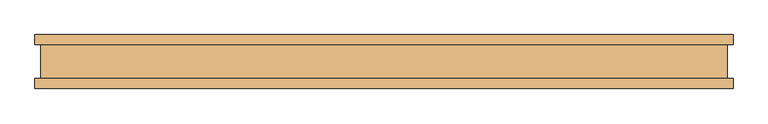
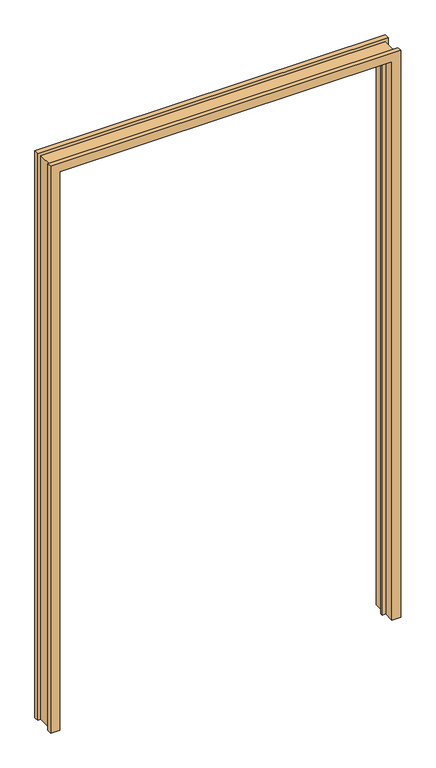
"""IFC4 building model written with IfcOpenShell, lengths in millimetres: door geometry."""

import ifcopenshell
import ifcopenshell.guid

model = None  # the IFC model being written
_history = None  # IfcOwnerHistory: only IFC2X3 demands one
_inside = {}  # id of a spatial element -> (the spatial element, [elements in it])
_under = {}  # id of a project, library or spatial element -> (it, [spatial elements below it])
_declared = {}  # id of a project -> (the project, [libraries it declares])
_typed = {}  # id of a type object -> (the type object, [elements of that type])
_made_of = {}  # id of a material, layer set ... -> (it, [elements and type objects made of it])


def new_model(schema):
    """Start an empty IFC model of exactly this schema.

    Asked for "IFC4X3", IfcOpenShell would pick the latest addendum, in which some entities
    have other attributes; the version numbers below select the first issue.
    IFC2X3 requires an IfcOwnerHistory on every rooted entity: one is made here for all.
    """
    global model, _history
    if schema == "IFC4X3":
        model = ifcopenshell.file(schema_version=(4, 3, 0, 0))
    else:
        model = ifcopenshell.file(schema=schema)
    _inside.clear()
    _under.clear()
    _declared.clear()
    _typed.clear()
    _made_of.clear()
    _history = None
    if model.schema == "IFC2X3":
        org = make("IfcOrganization", Name="unknown")
        user = make(
            "IfcPersonAndOrganization",
            ThePerson=make("IfcPerson", FamilyName="unknown"),
            TheOrganization=org,
        )
        app = make(
            "IfcApplication",
            ApplicationDeveloper=org,
            Version="unknown",
            ApplicationFullName="unknown",
            ApplicationIdentifier="unknown",
        )
        _history = make(
            "IfcOwnerHistory",
            OwningUser=user,
            OwningApplication=app,
            ChangeAction="ADDED",
            CreationDate=0,
        )
    return model


def make(cls, **values):
    """One entity of the class cls with the attributes given. An attribute that is None is left unset."""
    return model.create_entity(
        cls, **{name: value for name, value in values.items() if value is not None}
    )


def rooted(cls, **values):
    """An entity with a GlobalId (a new one), such as an element, a storey or a relation."""
    return make(cls, GlobalId=ifcopenshell.guid.new(), OwnerHistory=_history, **values)


def si_unit(unit_type, name, prefix=None):
    """IfcSIUnit, for example si_unit("LENGTHUNIT", "METRE", prefix="MILLI")."""
    return make("IfcSIUnit", UnitType=unit_type, Prefix=prefix, Name=name)


def assignment(units):
    """IfcUnitAssignment: the units of a project."""
    return None if units is None else make("IfcUnitAssignment", Units=units)


def point(xyz):
    """IfcCartesianPoint."""
    return None if xyz is None else make("IfcCartesianPoint", Coordinates=xyz)


def direction(xyz):
    """IfcDirection."""
    return None if xyz is None else make("IfcDirection", DirectionRatios=xyz)


def frame(location, z_axis=None, x_axis=None):
    """IfcAxis2Placement3D, a coordinate frame: its origin and axes. An axis left out is left unset."""
    return make(
        "IfcAxis2Placement3D",
        Location=point(location),
        Axis=direction(z_axis),
        RefDirection=direction(x_axis),
    )


def origin():
    """The frame at (0, 0, 0) with its axes left unset."""
    return frame((0.0, 0.0, 0.0))


def place(relative_to, where):
    """IfcLocalPlacement: puts the frame where relative to a parent placement (None: the world)."""
    return make(
        "IfcLocalPlacement", PlacementRelTo=relative_to, RelativePlacement=where
    )


def context(
    kind, dimensions, precision=None, world=None, true_north=None, identifier=None
):
    """IfcGeometricRepresentationContext, for example the 3D "Model" context."""
    return make(
        "IfcGeometricRepresentationContext",
        ContextIdentifier=identifier,
        ContextType=kind,
        CoordinateSpaceDimension=dimensions,
        Precision=precision,
        WorldCoordinateSystem=world,
        TrueNorth=true_north,
    )


def project(units=None, contexts=None):
    """IfcProject with its units and contexts."""
    return rooted(
        "IfcProject",
        Name="project",
        RepresentationContexts=contexts,
        UnitsInContext=assignment(units),
    )


def spatial(cls, under=None, at=None, **own):
    """A site, building, storey or space (cls), placed at a placement, below another one or the project."""
    s = rooted(cls, ObjectPlacement=at, **own)
    if under is not None:
        _under.setdefault(under.id(), (under, []))[1].append(s)
    return s


def faces_of(points, faces, orient=None, outer=None):
    """IfcFace entities. A face is a list of loops; a loop is a list of indices into points, from 0.

    orient and outer hold one flag for each loop. By default every Orientation is true, the
    first loop of a face is its IfcFaceOuterBound and the others are IfcFaceBound.
    """
    made = []
    for i, loops in enumerate(faces):
        bounds = []
        for j, loop in enumerate(loops):
            is_outer = j == 0 if outer is None else outer[i][j]
            bounds.append(
                make(
                    "IfcFaceOuterBound" if is_outer else "IfcFaceBound",
                    Bound=make("IfcPolyLoop", Polygon=[points[k] for k in loop]),
                    Orientation=True if orient is None else orient[i][j],
                )
            )
        made.append(make("IfcFace", Bounds=bounds))
    return made


def faceted_brep(points, faces, orient=None, outer=None, voids=None):
    """IfcFacetedBrep: a solid bounded by flat faces; with voids (closed shells), ...WithVoids."""
    shared = [point(p) for p in points]
    hull = make("IfcClosedShell", CfsFaces=faces_of(shared, faces, orient, outer))
    if voids is None:
        return make("IfcFacetedBrep", Outer=hull)
    return make(
        "IfcFacetedBrepWithVoids",
        Outer=hull,
        Voids=[
            make(cls, CfsFaces=faces_of(shared, fs, o, b)) for cls, fs, o, b in voids
        ],
    )


def shape(context_of_items, identifier, shape_type, items):
    """IfcShapeRepresentation: the items that make up one representation, for example the "Body"."""
    return make(
        "IfcShapeRepresentation",
        ContextOfItems=context_of_items,
        RepresentationIdentifier=identifier,
        RepresentationType=shape_type,
        Items=items,
    )


def source(mapping_origin, context_of_items, identifier, shape_type, items):
    """IfcRepresentationMap: a shape defined once, which mapped items show again and again."""
    return make(
        "IfcRepresentationMap",
        MappingOrigin=mapping_origin,
        MappedRepresentation=shape(context_of_items, identifier, shape_type, items),
    )


def transform(
    local_origin,
    x_axis=None,
    y_axis=None,
    z_axis=None,
    scale=None,
    scale2=None,
    scale3=None,
    uniform=True,
):
    """IfcCartesianTransformationOperator3D, or its non-uniform kind. x_axis, y_axis, z_axis: its Axis1, 2, 3."""
    if uniform:
        return make(
            "IfcCartesianTransformationOperator3D",
            Axis1=direction(x_axis),
            Axis2=direction(y_axis),
            LocalOrigin=point(local_origin),
            Scale=scale,
            Axis3=direction(z_axis),
        )
    return make(
        "IfcCartesianTransformationOperator3DnonUniform",
        Axis1=direction(x_axis),
        Axis2=direction(y_axis),
        LocalOrigin=point(local_origin),
        Scale=scale,
        Axis3=direction(z_axis),
        Scale2=scale2,
        Scale3=scale3,
    )


def mapped(mapping_source, mapping_target):
    """IfcMappedItem: shows the shape of a source again, moved by a transform."""
    return make(
        "IfcMappedItem", MappingSource=mapping_source, MappingTarget=mapping_target
    )


def made_of(thing, what):
    """Note that an element or type object is made of a material, layer set ...; save() writes the relation."""
    if what is not None:
        _made_of.setdefault(what.id(), (what, []))[1].append(thing)
    return thing


def element(
    cls,
    number,
    at=None,
    inside=None,
    cuts=None,
    type_object=None,
    material=None,
    context=None,
    identifier="Body",
    shape_type=None,
    held_by="IfcProductDefinitionShape",
    body=None,
    shapes=None,
    **own,
):
    """One element of the class cls, such as IfcWall. Its Tag is "e" and its number.

    at: its placement. inside: the storey or other place that contains it. cuts: it is an
    opening in that element (IfcRelVoidsElement). A single representation is given by context,
    identifier, shape_type and body (its items); several are given by shapes. held_by: the class
    of the entity that holds the representations. save() writes the other relations.
    """
    e = rooted(cls, Tag="e%d" % number, ObjectPlacement=at, **own)
    if body is not None:
        shapes = [shape(context, identifier, shape_type, body)]
    if shapes is not None:
        e.Representation = make(held_by, Representations=shapes)
    if inside is not None:
        _inside.setdefault(inside.id(), (inside, []))[1].append(e)
    if cuts is not None:
        rooted(
            "IfcRelVoidsElement", RelatingBuildingElement=cuts, RelatedOpeningElement=e
        )
    if type_object is not None:
        _typed.setdefault(type_object.id(), (type_object, []))[1].append(e)
    return made_of(e, material)


def aggregate(whole, parts):
    """IfcRelAggregates: a whole, such as a stair, and the parts it consists of."""
    return rooted("IfcRelAggregates", RelatingObject=whole, RelatedObjects=parts)


def save(model, path):
    """Write the relations noted so far, then the file.

    IfcRelAggregates (storeys below a building ...), IfcRelContainedInSpatialStructure (elements
    in a storey), IfcRelDefinesByType, IfcRelAssociatesMaterial and IfcRelDeclares: one each for
    every whole, place, type object, material and project.
    """
    for whole, parts in _under.values():
        aggregate(whole, parts)
    for where, things in _inside.values():
        rooted(
            "IfcRelContainedInSpatialStructure",
            RelatedElements=things,
            RelatingStructure=where,
        )
    for kind, things in _typed.values():
        rooted("IfcRelDefinesByType", RelatedObjects=things, RelatingType=kind)
    for what, things in _made_of.values():
        rooted("IfcRelAssociatesMaterial", RelatedObjects=things, RelatingMaterial=what)
    for by, libraries in _declared.values():
        rooted("IfcRelDeclares", RelatingContext=by, RelatedDefinitions=libraries)
    model.write(path)


def door_91859d28(model_context):
    return source(origin(), model_context, "Body", "Brep", [
        faceted_brep([(-645.9982, 31.447233, 0.0), (-645.9982, 49.989233, 0.0), (-612.9782, 49.989233, 0.0), (-612.9782, -2.6789063, 0.0), (-600.0242, -2.6789063, 0.0), (-600.0242, -10.907167, 0.0), (-612.9782, -10.907167, 0.0), (-612.9782, -50.010667, 0.0), (-645.9982, -50.010667, 0.0), (-645.9982, -31.468567, 0.0), (-635.0, -31.468567, 0.0), (-635.0, 31.447233, 0.0), (-645.9982, 31.447233, 2209.7925997), (-645.9982, 49.989233, 2209.7925997), (645.9982, 49.989233, 2209.7925997), (645.9982, 49.989233, 0.0), (612.9782, 49.989233, 0.0), (612.9782, 49.989233, 2176.7725997), (-612.9782, 49.989233, 2176.7725997), (-612.9782, -2.6789063, 2176.7725997), (612.9782, -2.6789063, 2176.7725997), (612.9782, -2.6789063, 0.0), (600.0242, -2.6789063, 0.0), (600.0242, -2.6789063, 2163.8185997), (-600.0242, -2.6789063, 2163.8185997), (-600.0242, -10.907167, 2163.8185997), (600.0242, -10.907167, 2163.8185997), (600.0242, -10.907167, 0.0), (612.9782, -10.907167, 0.0), (612.9782, -10.907167, 2176.7725997), (-612.9782, -10.907167, 2176.7725997), (-612.9782, -50.010667, 2176.7725997), (612.9782, -50.010667, 2176.7725997), (612.9782, -50.010667, 0.0), (645.9982, -50.010667, 0.0), (645.9982, -50.010667, 2209.7925997), (-645.9982, -50.010667, 2209.7925997), (-645.9982, -31.468567, 2209.7925997), (645.9982, -31.468567, 2209.7925997), (645.9982, -31.468567, 0.0), (635.0, -31.468567, 0.0), (635.0, -31.468567, 2198.7943997), (-635.0, -31.468567, 2198.7943997), (-635.0, 31.447233, 2198.7943997), (635.0, 31.447233, 2198.7943997), (635.0, 31.447233, 0.0), (645.9982, 31.447233, 0.0), (645.9982, 31.447233, 2209.7925997)], [[[0, 1, 2, 3, 4, 5, 6, 7, 8, 9, 10, 11]], [[1, 0, 12, 13]], [[2, 1, 13, 14, 15, 16, 17, 18]], [[3, 2, 18, 19]], [[4, 3, 19, 20, 21, 22, 23, 24]], [[5, 4, 24, 25]], [[6, 5, 25, 26, 27, 28, 29, 30]], [[7, 6, 30, 31]], [[8, 7, 31, 32, 33, 34, 35, 36]], [[9, 8, 36, 37]], [[10, 9, 37, 38, 39, 40, 41, 42]], [[11, 10, 42, 43]], [[0, 11, 43, 44, 45, 46, 47, 12]], [[32, 29, 28, 33]], [[46, 45, 40, 39, 34, 33, 28, 27, 22, 21, 16, 15]], [[44, 41, 40, 45]], [[26, 23, 22, 27]], [[20, 17, 16, 21]], [[14, 47, 46, 15]], [[38, 35, 34, 39]], [[31, 30, 29, 32]], [[43, 42, 41, 44]], [[25, 24, 23, 26]], [[19, 18, 17, 20]], [[13, 12, 47, 14]], [[37, 36, 35, 38]]]),
    ])


if __name__ == "__main__":
    model = new_model("IFC4")
    model_context = context("Model", 3, world=origin())
    ifc_project = project(units=[si_unit("LENGTHUNIT", "METRE", prefix="MILLI")], contexts=[model_context])
    site = spatial("IfcSite", under=ifc_project)
    building = spatial("IfcBuilding", under=site)
    placement = place(None, origin())
    door_shape = door_91859d28(model_context)
    element("IfcDoor", 1, at=placement, inside=building, context=model_context, shape_type="MappedRepresentation", body=[
        mapped(door_shape, transform((0.0, 0.0, 0.0), x_axis=(1.0, 0.0, 0.0), y_axis=(0.0, 1.0, 0.0), z_axis=(0.0, 0.0, 1.0))),
    ])
    save(model, "model.ifc")
